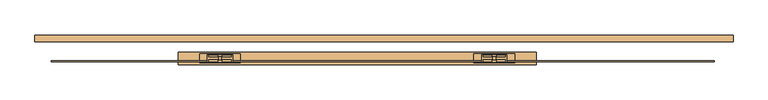
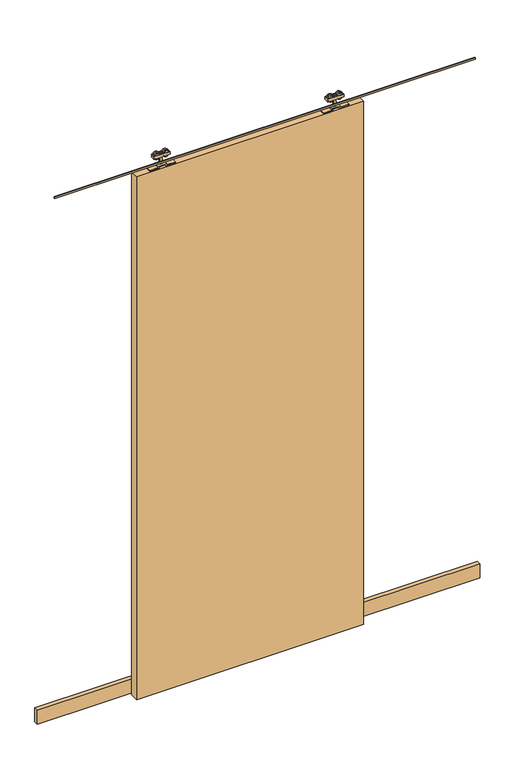
"""IFC4 building model written with IfcOpenShell, lengths in millimetres: door geometry."""

from ifc_helpers import new_model, si_unit, point, frame, frame_2d, origin, origin_with_axes, place, context, project, spatial, polyline, circle_curve, trimmed, segment, composite_curve, outline, extrude, source, transform, mapped, element, save


def door_2df5a738(model_context):
    return source(origin(), model_context, "Body", "SweptSolid", [
        extrude(outline(composite_curve([segment(trimmed(circle_curve(frame_2d((2504.430297, -404.25)), 13.5), [point((2504.430297, -417.75))], [point((2504.430297, -390.75))], False, "CARTESIAN"), True, "CONTINUOUS"), segment(trimmed(circle_curve(frame_2d((2504.430297, -404.25)), 13.5), [point((2504.430297, -390.75))], [point((2504.430297, -417.75))], False, "CARTESIAN"), True, "CONTINUOUS")], self_intersect=False)), frame((0.0, -13.9509888, 0.0), z_axis=(0.0, 1.0, 0.0), x_axis=(0.0, 0.0, 1.0)), (0.0, 0.0, 1.0), 5.2084151),
        extrude(outline(composite_curve([segment(trimmed(circle_curve(frame_2d((2504.430297, -366.75)), 13.5), [point((2504.430297, -353.25))], [point((2504.430297, -380.25))], False, "CARTESIAN"), True, "CONTINUOUS"), segment(trimmed(circle_curve(frame_2d((2504.430297, -366.75)), 13.5), [point((2504.430297, -380.25))], [point((2504.430297, -353.25))], False, "CARTESIAN"), True, "CONTINUOUS")], self_intersect=False)), frame((0.0, -13.9509888, 0.0), z_axis=(0.0, 1.0, 0.0), x_axis=(0.0, 0.0, 1.0)), (0.0, 0.0, 1.0), 5.2084151),
        extrude(outline(composite_curve([segment(trimmed(circle_curve(frame_2d((2504.430297, -404.25)), 13.5), [point((2504.430297, -417.75))], [point((2504.430297, -390.75))], False, "CARTESIAN"), True, "CONTINUOUS"), segment(trimmed(circle_curve(frame_2d((2504.430297, -404.25)), 13.5), [point((2504.430297, -390.75))], [point((2504.430297, -417.75))], False, "CARTESIAN"), True, "CONTINUOUS")], self_intersect=False)), frame((0.0, -0.7425737, 0.0), z_axis=(0.0, 1.0, 0.0), x_axis=(0.0, 0.0, 1.0)), (0.0, 0.0, 1.0), 5.0880554),
        extrude(outline(composite_curve([segment(trimmed(circle_curve(frame_2d((2504.430297, -366.75)), 13.5), [point((2504.430297, -353.25))], [point((2504.430297, -380.25))], False, "CARTESIAN"), True, "CONTINUOUS"), segment(trimmed(circle_curve(frame_2d((2504.430297, -366.75)), 13.5), [point((2504.430297, -380.25))], [point((2504.430297, -353.25))], False, "CARTESIAN"), True, "CONTINUOUS")], self_intersect=False)), frame((0.0, -0.7425737, 0.0), z_axis=(0.0, 1.0, 0.0), x_axis=(0.0, 0.0, 1.0)), (0.0, 0.0, 1.0), 5.0880554),
        extrude(outline(polyline([(-420.5, -15.2425737), (-420.5, 5.7574263), (-350.5, 5.7574263), (-350.5, -15.2425737), (-420.5, -15.2425737)])), frame((0.0, 0.0, 2496.5), z_axis=(0.0, 0.0, 1.0), x_axis=(1.0, 0.0, 0.0)), (0.0, 0.0, 1.0), 13.0),
        extrude(outline(polyline([(-389.5, -8.7425737), (-389.5, -0.7425737), (-381.5, -0.7425737), (-381.5, -8.7425737), (-389.5, -8.7425737)])), frame((0.0, 0.0, 2455.0), z_axis=(0.0, 0.0, 1.0), x_axis=(1.0, 0.0, 0.0)), (0.0, 0.0, 1.0), 56.0),
        extrude(outline(polyline([(2455.0, -328.5), (2455.0, -366.5), (2461.0, -366.5), (2461.0, -404.5), (2455.0, -404.5), (2455.0, -442.5), (2451.0, -442.5), (2451.0, -400.5), (2457.0, -400.5), (2457.0, -370.5), (2451.0, -370.5), (2451.0, -328.5), (2455.0, -328.5)])), frame((0.0, -17.7425737, 0.0), z_axis=(0.0, 1.0, 0.0), x_axis=(0.0, 0.0, 1.0)), (0.0, 0.0, 1.0), 26.0),
        extrude(outline(composite_curve([segment(trimmed(circle_curve(frame_2d((2504.430297, 399.25)), 13.5), [point((2504.430297, 412.75))], [point((2504.430297, 385.75))], False, "CARTESIAN"), True, "CONTINUOUS"), segment(trimmed(circle_curve(frame_2d((2504.430297, 399.25)), 13.5), [point((2504.430297, 385.75))], [point((2504.430297, 412.75))], False, "CARTESIAN"), True, "CONTINUOUS")], self_intersect=False)), frame((0.0, -13.9509888, 0.0), z_axis=(0.0, 1.0, 0.0), x_axis=(0.0, 0.0, 1.0)), (0.0, 0.0, 1.0), 5.2084151),
        extrude(outline(composite_curve([segment(trimmed(circle_curve(frame_2d((2504.430297, 361.75)), 13.5), [point((2504.430297, 348.25))], [point((2504.430297, 375.25))], False, "CARTESIAN"), True, "CONTINUOUS"), segment(trimmed(circle_curve(frame_2d((2504.430297, 361.75)), 13.5), [point((2504.430297, 375.25))], [point((2504.430297, 348.25))], False, "CARTESIAN"), True, "CONTINUOUS")], self_intersect=False)), frame((0.0, -13.9509888, 0.0), z_axis=(0.0, 1.0, 0.0), x_axis=(0.0, 0.0, 1.0)), (0.0, 0.0, 1.0), 5.2084151),
        extrude(outline(composite_curve([segment(trimmed(circle_curve(frame_2d((2504.430297, 399.25)), 13.5), [point((2504.430297, 412.75))], [point((2504.430297, 385.75))], False, "CARTESIAN"), True, "CONTINUOUS"), segment(trimmed(circle_curve(frame_2d((2504.430297, 399.25)), 13.5), [point((2504.430297, 385.75))], [point((2504.430297, 412.75))], False, "CARTESIAN"), True, "CONTINUOUS")], self_intersect=False)), frame((0.0, -0.7425737, 0.0), z_axis=(0.0, 1.0, 0.0), x_axis=(0.0, 0.0, 1.0)), (0.0, 0.0, 1.0), 5.0880554),
        extrude(outline(composite_curve([segment(trimmed(circle_curve(frame_2d((2504.430297, 361.75)), 13.5), [point((2504.430297, 348.25))], [point((2504.430297, 375.25))], False, "CARTESIAN"), True, "CONTINUOUS"), segment(trimmed(circle_curve(frame_2d((2504.430297, 361.75)), 13.5), [point((2504.430297, 375.25))], [point((2504.430297, 348.25))], False, "CARTESIAN"), True, "CONTINUOUS")], self_intersect=False)), frame((0.0, -0.7425737, 0.0), z_axis=(0.0, 1.0, 0.0), x_axis=(0.0, 0.0, 1.0)), (0.0, 0.0, 1.0), 5.0880554),
        extrude(outline(polyline([(415.5, -15.2425737), (345.5, -15.2425737), (345.5, 5.7574263), (415.5, 5.7574263), (415.5, -15.2425737)])), frame((0.0, 0.0, 2496.5), z_axis=(0.0, 0.0, 1.0), x_axis=(1.0, 0.0, 0.0)), (0.0, 0.0, 1.0), 13.0),
        extrude(outline(polyline([(384.5, -8.7425737), (376.5, -8.7425737), (376.5, -0.7425737), (384.5, -0.7425737), (384.5, -8.7425737)])), frame((0.0, 0.0, 2455.0), z_axis=(0.0, 0.0, 1.0), x_axis=(1.0, 0.0, 0.0)), (0.0, 0.0, 1.0), 56.0),
        extrude(outline(polyline([(2455.0, 323.5), (2451.0, 323.5), (2451.0, 365.5), (2457.0, 365.5), (2457.0, 395.5), (2451.0, 395.5), (2451.0, 437.5), (2455.0, 437.5), (2455.0, 399.5), (2461.0, 399.5), (2461.0, 361.5), (2455.0, 361.5), (2455.0, 323.5)])), frame((0.0, -17.7425737, 0.0), z_axis=(0.0, 1.0, 0.0), x_axis=(0.0, 0.0, 1.0)), (0.0, 0.0, 1.0), 26.0),
        extrude(outline(polyline([(-502.5, 12.7574263), (497.5, 12.7574263), (497.5, -22.2425737), (-502.5, -22.2425737), (-502.5, 12.7574263)])), frame((0.0, 0.0, 14.0), z_axis=(0.0, 0.0, 1.0), x_axis=(1.0, 0.0, 0.0)), (0.0, 0.0, 1.0), 2437.0),
        extrude(outline(polyline([(995.5, -14.7394005), (-857.5, -14.7394005), (-857.5, -10.9693523), (995.5, -10.9693523), (995.5, -14.7394005)])), frame((0.0, 0.0, 2468.3008197), z_axis=(0.0, 0.0, 1.0), x_axis=(1.0, 0.0, 0.0)), (0.0, 0.0, 1.0), 6.6991803),
        extrude(outline(polyline([(1047.5, 60.5229828), (1047.5, 42.0), (-902.5, 42.0), (-902.5, 60.5229828), (1047.5, 60.5229828)])), origin_with_axes(), (0.0, 0.0, 1.0), 64.5),
    ])


if __name__ == "__main__":
    model = new_model("IFC4")
    model_context = context("Model", 3, world=origin())
    ifc_project = project(units=[si_unit("LENGTHUNIT", "METRE", prefix="MILLI")], contexts=[model_context])
    site = spatial("IfcSite", under=ifc_project)
    building = spatial("IfcBuilding", under=site)
    placement = place(None, origin())
    door_shape = door_2df5a738(model_context)
    element("IfcDoor", 1, at=placement, inside=building, context=model_context, shape_type="MappedRepresentation", body=[
        mapped(door_shape, transform((0.0, 0.0, 0.0), x_axis=(1.0, 0.0, 0.0), y_axis=(0.0, 1.0, 0.0), z_axis=(0.0, 0.0, 1.0))),
    ])
    save(model, "model.ifc")
